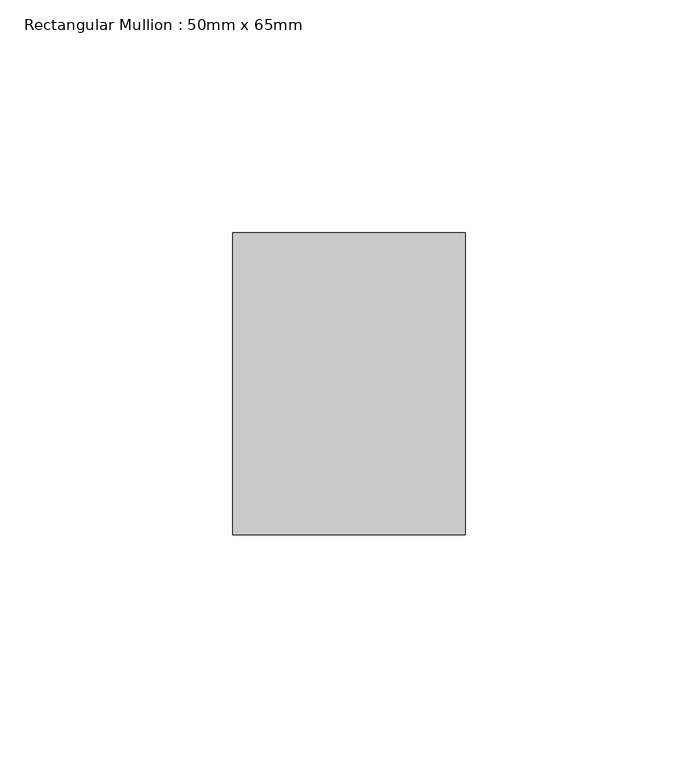
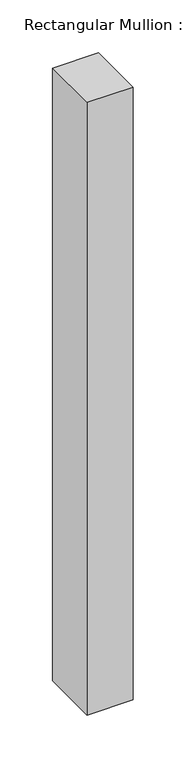
"""IFC4 building model written with IfcOpenShell, lengths in millimetres: member geometry, Rectangular Mullion : 50mm x 65mm."""

from ifc_helpers import new_model, si_unit, frame, origin, place, context, project, spatial, polyline, outline, extrude, source, transform, mapped, element, save


def rectangular_mullion_50mm_x_65mm_195e6beb(model_context):
    return source(origin(), model_context, "Body", "SweptSolid", [
        extrude(outline(polyline([(25.0, 32.5), (25.0, -32.5), (-25.0, -32.5), (-25.0, 32.5), (25.0, 32.5)])), frame((0.0, 0.0, -705.7727782), z_axis=(0.0, 0.0, 1.0), x_axis=(1.0, 0.0, 0.0)), (0.0, 0.0, 1.0), 705.7727782),
    ])


if __name__ == "__main__":
    model = new_model("IFC4")
    model_context = context("Model", 3, world=origin())
    ifc_project = project(units=[si_unit("LENGTHUNIT", "METRE", prefix="MILLI")], contexts=[model_context])
    site = spatial("IfcSite", under=ifc_project)
    building = spatial("IfcBuilding", under=site)
    placement = place(None, origin())
    rectangular_mullion_50mm_x_65mm_shape = rectangular_mullion_50mm_x_65mm_195e6beb(model_context)
    element("IfcMember", 1, ObjectType="Rectangular Mullion : 50mm x 65mm", at=placement, inside=building, context=model_context, shape_type="MappedRepresentation", body=[
        mapped(rectangular_mullion_50mm_x_65mm_shape, transform((0.0, 0.0, 0.0), x_axis=(1.0, 0.0, 0.0), y_axis=(0.0, 1.0, 0.0), z_axis=(0.0, 0.0, 1.0))),
    ])
    save(model, "model.ifc")
